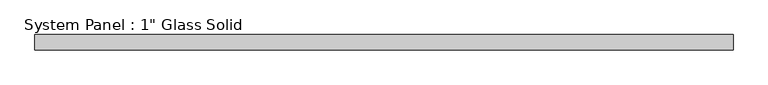
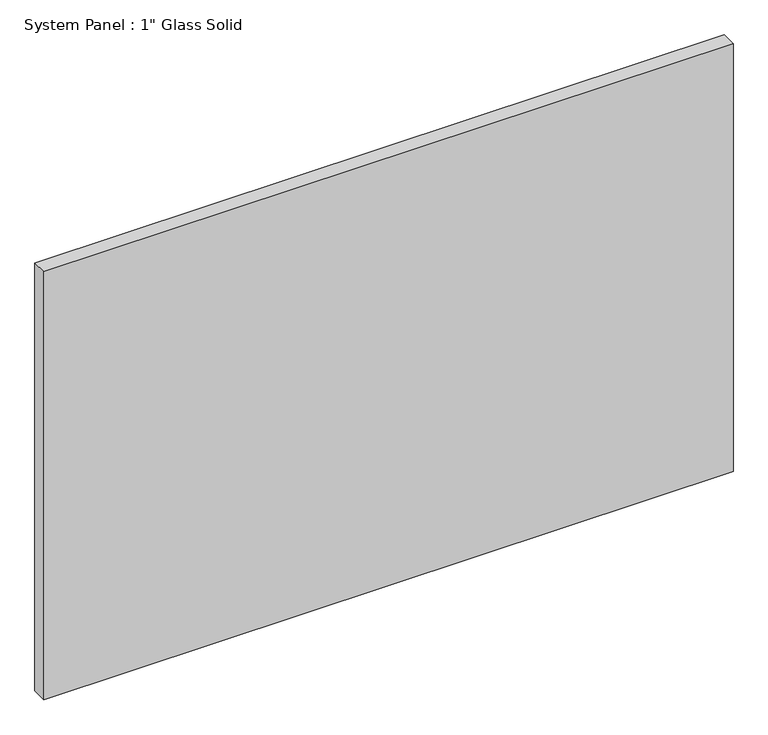
"""IFC4 building model written with IfcOpenShell, lengths in millimetres: plate geometry."""

from ifc_helpers import new_model, si_unit, origin, origin_with_axes, place, context, project, spatial, polyline, outline, extrude, source, transform, mapped, element, save


def plate_c1808df8(model_context):
    return source(origin(), model_context, "Body", "SweptSolid", [
        extrude(outline(polyline([(570.1496412, -12.7), (-570.1496412, -12.7), (-570.1496412, 12.7), (570.1496412, 12.7), (570.1496412, -12.7)])), origin_with_axes(), (0.0, 0.0, 1.0), 748.7596948),
    ])


if __name__ == "__main__":
    model = new_model("IFC4")
    model_context = context("Model", 3, world=origin())
    ifc_project = project(units=[si_unit("LENGTHUNIT", "METRE", prefix="MILLI")], contexts=[model_context])
    site = spatial("IfcSite", under=ifc_project)
    building = spatial("IfcBuilding", under=site)
    placement = place(None, origin())
    plate_shape = plate_c1808df8(model_context)
    element("IfcPlate", 1, ObjectType="System Panel : 1\" Glass Solid", at=placement, inside=building, context=model_context, shape_type="MappedRepresentation", body=[
        mapped(plate_shape, transform((0.0, 0.0, 0.0), x_axis=(1.0, 0.0, 0.0), y_axis=(0.0, 1.0, 0.0), z_axis=(0.0, 0.0, 1.0))),
    ])
    save(model, "model.ifc")
